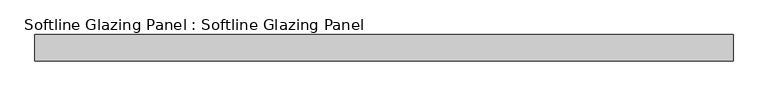
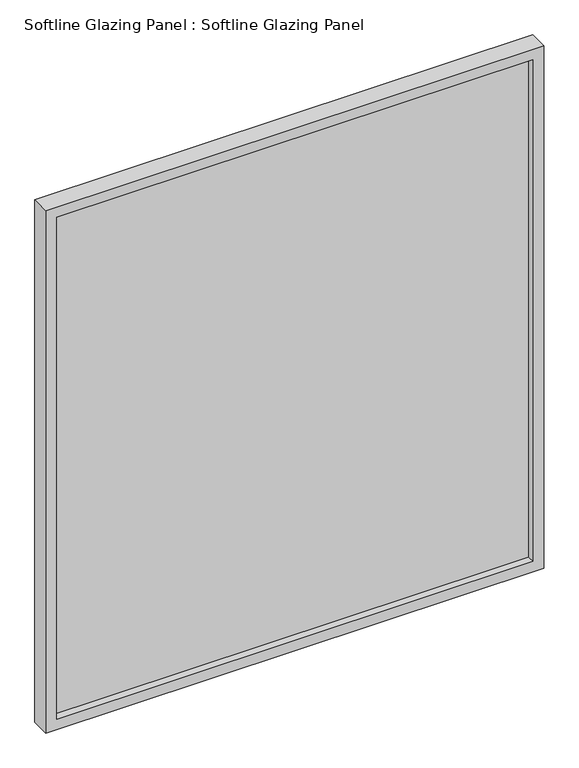
"""IFC4 building model written with IfcOpenShell, lengths in millimetres: plate geometry, Softline Glazing Panel : Softline Glazing Panel."""

from ifc_helpers import new_model, si_unit, frame, origin, place, context, project, spatial, polyline, outline, extrude, faceted_brep, source, transform, mapped, element, save


def softline_glazing_panel_softline_glazing_panel_e99a1d23(model_context):
    return source(origin(), model_context, "Body", "SolidModel", [
        extrude(outline(polyline([(580.0, 4.0), (580.0, -4.0), (-580.0, -4.0), (-580.0, 4.0), (580.0, 4.0)])), frame((0.0, 0.0, 16.0), z_axis=(0.0, 0.0, 1.0), x_axis=(1.0, 0.0, 0.0)), (0.0, 0.0, 1.0), 1290.0),
        faceted_brep([(570.0, 4.0, 26.0), (570.0, 22.5, 26.0), (-570.0, 22.5, 26.0), (-570.0, 4.0, 26.0), (580.0, -4.0, 16.0), (580.0, 4.0, 16.0), (-580.0, 4.0, 16.0), (-580.0, -4.0, 16.0), (570.0, -22.5, 26.0), (570.0, -4.0, 26.0), (-570.0, -4.0, 26.0), (-570.0, -22.5, 26.0), (596.0, 22.5, 0.0), (596.0, -22.5, 0.0), (-596.0, -22.5, 0.0), (-596.0, 22.5, 0.0), (-570.0, 22.5, 1296.0), (-570.0, 4.0, 1296.0), (-580.0, 4.0, 1306.0), (-580.0, -4.0, 1306.0), (-570.0, -4.0, 1296.0), (-570.0, -22.5, 1296.0), (-596.0, -22.5, 1322.0), (-596.0, 22.5, 1322.0), (570.0, 22.5, 1296.0), (570.0, 4.0, 1296.0), (580.0, 4.0, 1306.0), (580.0, -4.0, 1306.0), (570.0, -4.0, 1296.0), (570.0, -22.5, 1296.0), (596.0, -22.5, 1322.0), (596.0, 22.5, 1322.0)], [[[0, 1, 2, 3]], [[4, 5, 6, 7]], [[8, 9, 10, 11]], [[12, 13, 14, 15]], [[3, 2, 16, 17]], [[7, 6, 18, 19]], [[11, 10, 20, 21]], [[15, 14, 22, 23]], [[17, 16, 24, 25]], [[19, 18, 26, 27]], [[21, 20, 28, 29]], [[23, 22, 30, 31]], [[15, 23, 31, 12], [1, 24, 16, 2]], [[25, 24, 1, 0]], [[5, 26, 18, 6], [3, 17, 25, 0]], [[27, 26, 5, 4]], [[7, 19, 27, 4], [9, 28, 20, 10]], [[29, 28, 9, 8]], [[13, 30, 22, 14], [11, 21, 29, 8]], [[31, 30, 13, 12]]]),
    ])


if __name__ == "__main__":
    model = new_model("IFC4")
    model_context = context("Model", 3, world=origin())
    ifc_project = project(units=[si_unit("LENGTHUNIT", "METRE", prefix="MILLI")], contexts=[model_context])
    site = spatial("IfcSite", under=ifc_project)
    building = spatial("IfcBuilding", under=site)
    placement = place(None, origin())
    softline_glazing_panel_softline_glazing_panel_shape = softline_glazing_panel_softline_glazing_panel_e99a1d23(model_context)
    element("IfcPlate", 1, ObjectType="Softline Glazing Panel : Softline Glazing Panel", at=placement, inside=building, context=model_context, shape_type="MappedRepresentation", body=[
        mapped(softline_glazing_panel_softline_glazing_panel_shape, transform((0.0, 0.0, 0.0), x_axis=(1.0, 0.0, 0.0), y_axis=(0.0, 1.0, 0.0), z_axis=(0.0, 0.0, 1.0))),
    ])
    save(model, "model.ifc")
